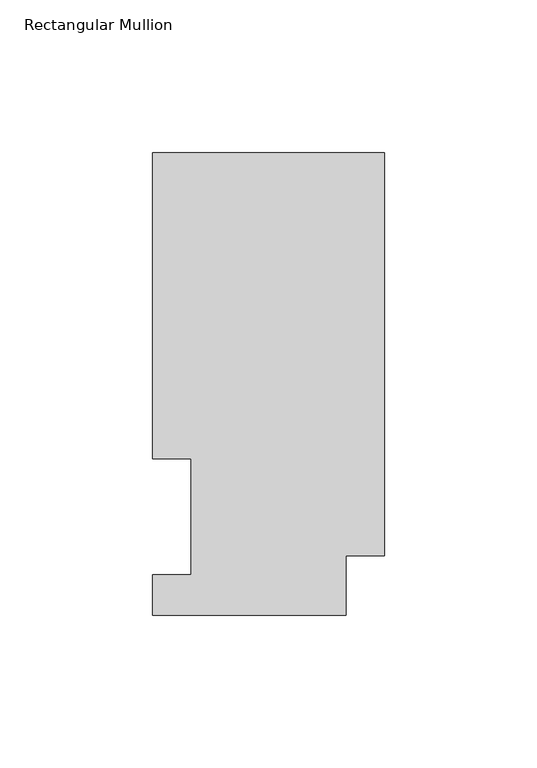
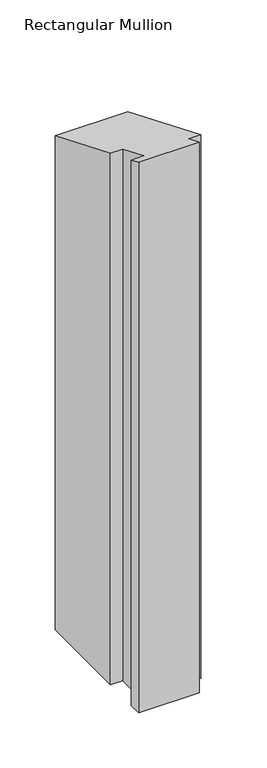
"""IFC4 building model written with IfcOpenShell, lengths in millimetres: member geometry, Rectangular Mullion."""

from ifc_helpers import new_model, si_unit, origin, place, context, project, spatial, faceted_brep, source, transform, mapped, element, save


def rectangular_mullion_55687843(model_context):
    return source(origin(), model_context, "Body", "Brep", [
        faceted_brep([(-76.2, 51.2960938, -609.587333), (-76.2, 151.7022937, -609.587333), (0.0, 151.7022937, -609.587333), (0.0, 19.5455957, -609.587333), (-12.7, 19.5455957, -609.587333), (-12.7, 0.0134937, -609.587333), (-76.2, 0.0134937, -609.587333), (-76.2, 13.1960937, -609.587333), (-63.5, 13.1960937, -609.587333), (-63.5, 51.2960938, -609.587333), (-63.5, 51.2960938, -21.2475377), (-76.2, 51.2960938, -21.2475377), (-63.5, 13.1960937, -5.466001), (-76.2, 13.1960937, -5.466001), (-76.2, 0.0134937, -0.0055893), (-12.7, 0.0134937, -0.0055893), (-12.7, 19.5455957, -8.0960508), (0.0, 19.5455957, -8.0960508), (0.0, 151.7022937, -62.8371475), (-76.2, 151.7022937, -62.8371475)], [[[0, 1, 2, 3, 4, 5, 6, 7, 8, 9]], [[10, 11, 0, 9]], [[12, 10, 9, 8]], [[13, 12, 8, 7]], [[14, 13, 7, 6]], [[15, 14, 6, 5]], [[16, 15, 5, 4]], [[17, 16, 4, 3]], [[18, 17, 3, 2]], [[19, 18, 2, 1]], [[11, 19, 1, 0]], [[11, 10, 12, 13, 14, 15, 16, 17, 18, 19]]]),
    ])


if __name__ == "__main__":
    model = new_model("IFC4")
    model_context = context("Model", 3, world=origin())
    ifc_project = project(units=[si_unit("LENGTHUNIT", "METRE", prefix="MILLI")], contexts=[model_context])
    site = spatial("IfcSite", under=ifc_project)
    building = spatial("IfcBuilding", under=site)
    placement = place(None, origin())
    rectangular_mullion_shape = rectangular_mullion_55687843(model_context)
    element("IfcMember", 1, ObjectType="Rectangular Mullion", at=placement, inside=building, context=model_context, shape_type="MappedRepresentation", body=[
        mapped(rectangular_mullion_shape, transform((0.0, 0.0, 0.0), x_axis=(1.0, 0.0, 0.0), y_axis=(0.0, 1.0, 0.0), z_axis=(0.0, 0.0, 1.0))),
    ])
    save(model, "model.ifc")
